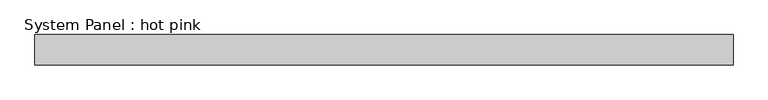
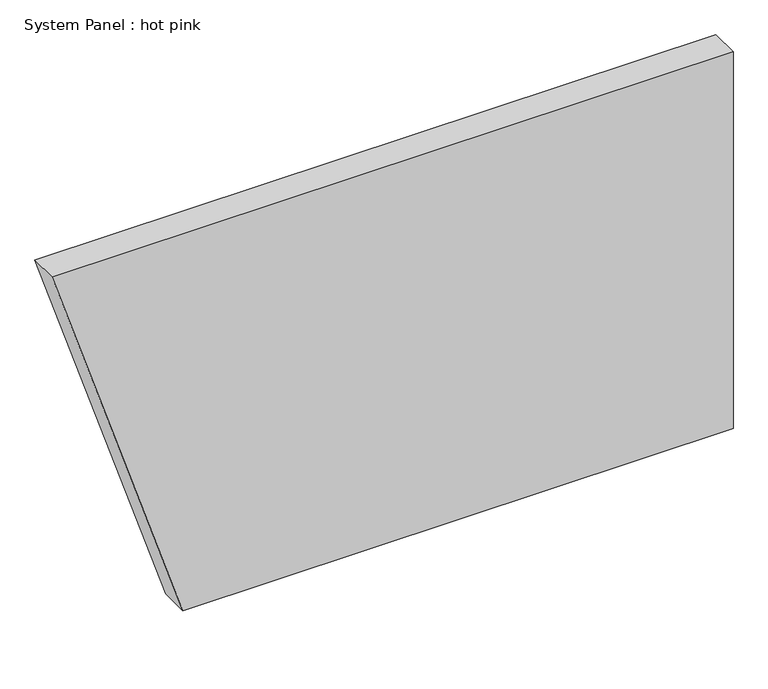
"""IFC4 building model written with IfcOpenShell, lengths in millimetres: plate geometry, System Panel : hot pink."""

from ifc_helpers import new_model, si_unit, frame, origin, place, context, project, spatial, polyline, outline, extrude, source, transform, mapped, element, save


def system_panel_hot_pink_35c8c2ac(model_context):
    return source(origin(), model_context, "Body", "SweptSolid", [
        extrude(outline(polyline([(0.0, -448.1743087), (0.0, 727.1474938), (850.9, 727.1474938), (850.9, -727.1474938), (0.0, -448.1743087)])), frame((0.0, -44.45, 0.0), z_axis=(0.0, 1.0, 0.0), x_axis=(0.0, 0.0, 1.0)), (0.0, 0.0, 1.0), 63.5),
    ])


if __name__ == "__main__":
    model = new_model("IFC4")
    model_context = context("Model", 3, world=origin())
    ifc_project = project(units=[si_unit("LENGTHUNIT", "METRE", prefix="MILLI")], contexts=[model_context])
    site = spatial("IfcSite", under=ifc_project)
    building = spatial("IfcBuilding", under=site)
    placement = place(None, origin())
    system_panel_hot_pink_shape = system_panel_hot_pink_35c8c2ac(model_context)
    element("IfcPlate", 1, ObjectType="System Panel : hot pink", at=placement, inside=building, context=model_context, shape_type="MappedRepresentation", body=[
        mapped(system_panel_hot_pink_shape, transform((0.0, 0.0, 0.0), x_axis=(1.0, 0.0, 0.0), y_axis=(0.0, 1.0, 0.0), z_axis=(0.0, 0.0, 1.0))),
    ])
    save(model, "model.ifc")
